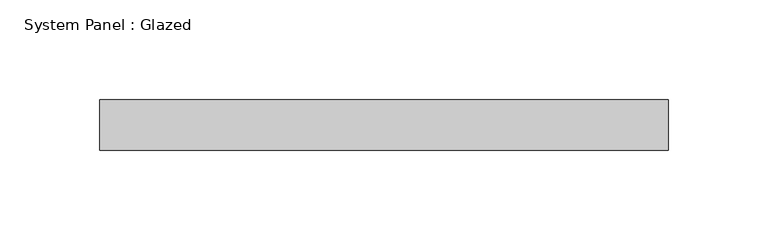
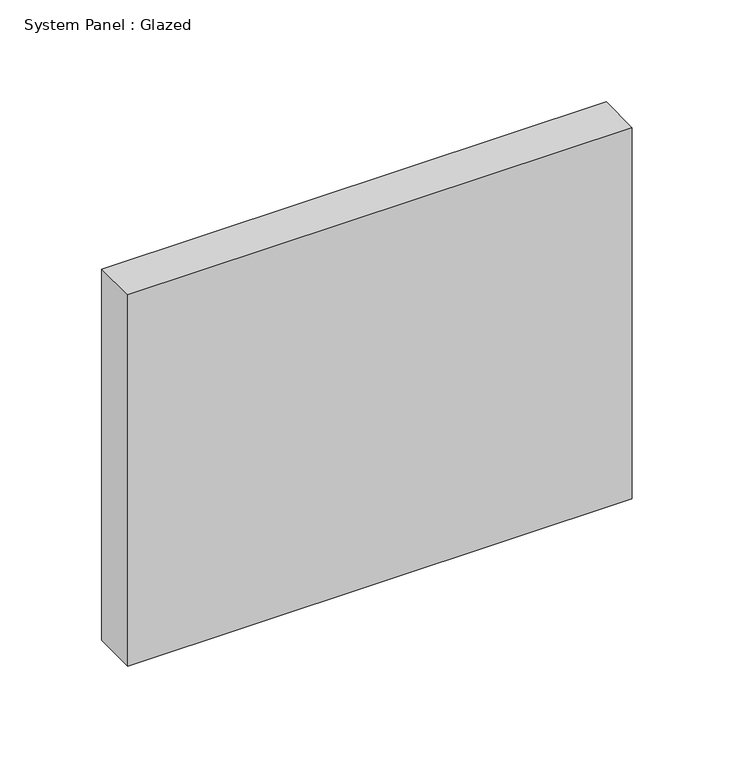
"""IFC4 building model written with IfcOpenShell, lengths in millimetres: plate geometry, System Panel : Glazed."""

from ifc_helpers import new_model, si_unit, origin, origin_with_axes, place, context, project, spatial, polyline, outline, extrude, source, transform, mapped, element, save


def system_panel_glazed_0661c6fd(model_context):
    return source(origin(), model_context, "Body", "SweptSolid", [
        extrude(outline(polyline([(142.875, 19.05), (-142.875, 19.05), (-142.875, 44.45), (142.875, 44.45), (142.875, 19.05)])), origin_with_axes(), (0.0, 0.0, 1.0), 222.25),
    ])


if __name__ == "__main__":
    model = new_model("IFC4")
    model_context = context("Model", 3, world=origin())
    ifc_project = project(units=[si_unit("LENGTHUNIT", "METRE", prefix="MILLI")], contexts=[model_context])
    site = spatial("IfcSite", under=ifc_project)
    building = spatial("IfcBuilding", under=site)
    placement = place(None, origin())
    system_panel_glazed_shape = system_panel_glazed_0661c6fd(model_context)
    element("IfcPlate", 1, ObjectType="System Panel : Glazed", at=placement, inside=building, context=model_context, shape_type="MappedRepresentation", body=[
        mapped(system_panel_glazed_shape, transform((0.0, 0.0, 0.0), x_axis=(1.0, 0.0, 0.0), y_axis=(0.0, 1.0, 0.0), z_axis=(0.0, 0.0, 1.0))),
    ])
    save(model, "model.ifc")
